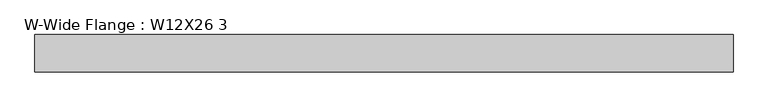
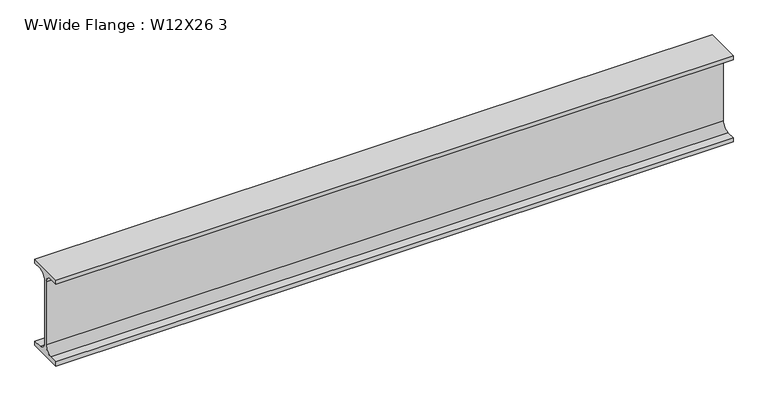
"""IFC4 building model written with IfcOpenShell, lengths in millimetres: beam geometry, W-Wide Flange : W12X26 3."""

from ifc_helpers import new_model, si_unit, point, frame, frame_2d, origin, place, context, project, spatial, polyline, circle_curve, trimmed, segment, composite_curve, outline, extrude, source, transform, mapped, element, save


def w_wide_flange_w12x26_3_1ba3a8ad(model_context):
    return source(origin(), model_context, "Body", "SweptSolid", [
        extrude(outline(composite_curve([segment(polyline([(40.0, -90.3757813), (40.0, -100.0), (-40.0, -100.0), (-40.0, -90.3757813), (-20.2902344, -90.3757813)]), True, "CONTINUOUS"), segment(trimmed(circle_curve(frame_2d((-20.2902344, -73.0125)), 17.3632813), [point((-20.2902344, -90.3757813))], [point((-2.9269531, -73.0125))], True, "CARTESIAN"), True, "CONTINUOUS"), segment(polyline([(-2.9269531, -73.0125), (-2.9269531, 73.0125)]), True, "CONTINUOUS"), segment(trimmed(circle_curve(frame_2d((-20.2902344, 73.0125)), 17.3632812), [point((-2.9269531, 73.0125))], [point((-20.2902344, 90.3757812))], True, "CARTESIAN"), True, "CONTINUOUS"), segment(polyline([(-20.2902344, 90.3757812), (-40.0, 90.3757812), (-40.0, 100.0), (40.0, 100.0), (40.0, 90.3757812), (20.2902344, 90.3757812)]), True, "CONTINUOUS"), segment(trimmed(circle_curve(frame_2d((20.2902344, 73.0125)), 17.3632812), [point((20.2902344, 90.3757812))], [point((2.9269531, 73.0125))], True, "CARTESIAN"), True, "CONTINUOUS"), segment(polyline([(2.9269531, 73.0125), (2.9269531, -73.0125)]), True, "CONTINUOUS"), segment(trimmed(circle_curve(frame_2d((20.2902344, -73.0125)), 17.3632812), [point((2.9269531, -73.0125))], [point((20.2902344, -90.3757813))], True, "CARTESIAN"), True, "CONTINUOUS"), segment(polyline([(20.2902344, -90.3757813), (40.0, -90.3757813)]), True, "CONTINUOUS")], self_intersect=False)), frame((-623.2480469, 0.0, 0.0), z_axis=(1.0, 0.0, 0.0), x_axis=(0.0, 1.0, 0.0)), (0.0, 0.0, 1.0), 1489.4480469),
    ])


if __name__ == "__main__":
    model = new_model("IFC4")
    model_context = context("Model", 3, world=origin())
    ifc_project = project(units=[si_unit("LENGTHUNIT", "METRE", prefix="MILLI")], contexts=[model_context])
    site = spatial("IfcSite", under=ifc_project)
    building = spatial("IfcBuilding", under=site)
    placement = place(None, origin())
    w_wide_flange_w12x26_3_shape = w_wide_flange_w12x26_3_1ba3a8ad(model_context)
    element("IfcBeam", 1, ObjectType="W-Wide Flange : W12X26 3", at=placement, inside=building, context=model_context, shape_type="MappedRepresentation", body=[
        mapped(w_wide_flange_w12x26_3_shape, transform((0.0, 0.0, 0.0), x_axis=(1.0, 0.0, 0.0), y_axis=(0.0, 1.0, 0.0), z_axis=(0.0, 0.0, 1.0))),
    ])
    save(model, "model.ifc")
